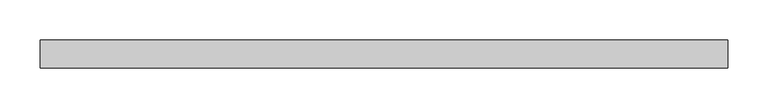
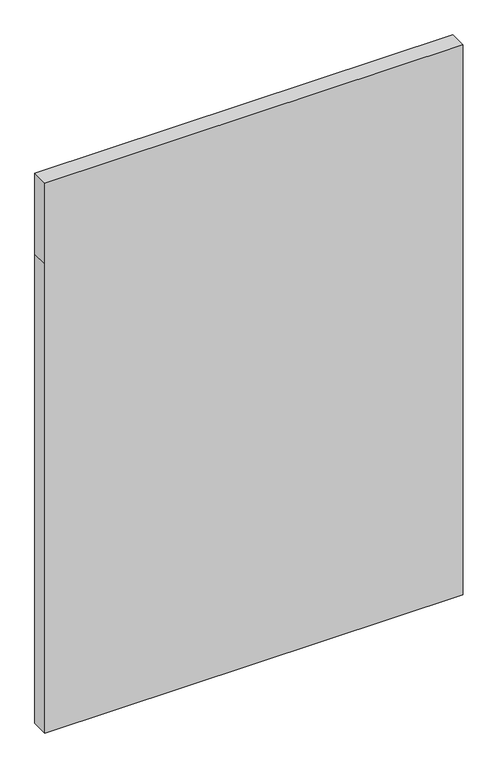
"""IFC4 building model written with IfcOpenShell, lengths in millimetres: plate geometry."""

import ifcopenshell
import ifcopenshell.guid

model = None  # the IFC model being written
_history = None  # IfcOwnerHistory: only IFC2X3 demands one
_inside = {}  # id of a spatial element -> (the spatial element, [elements in it])
_under = {}  # id of a project, library or spatial element -> (it, [spatial elements below it])
_declared = {}  # id of a project -> (the project, [libraries it declares])
_typed = {}  # id of a type object -> (the type object, [elements of that type])
_made_of = {}  # id of a material, layer set ... -> (it, [elements and type objects made of it])


def new_model(schema):
    """Start an empty IFC model of exactly this schema.

    Asked for "IFC4X3", IfcOpenShell would pick the latest addendum, in which some entities
    have other attributes; the version numbers below select the first issue.
    IFC2X3 requires an IfcOwnerHistory on every rooted entity: one is made here for all.
    """
    global model, _history
    if schema == "IFC4X3":
        model = ifcopenshell.file(schema_version=(4, 3, 0, 0))
    else:
        model = ifcopenshell.file(schema=schema)
    _inside.clear()
    _under.clear()
    _declared.clear()
    _typed.clear()
    _made_of.clear()
    _history = None
    if model.schema == "IFC2X3":
        org = make("IfcOrganization", Name="unknown")
        user = make(
            "IfcPersonAndOrganization",
            ThePerson=make("IfcPerson", FamilyName="unknown"),
            TheOrganization=org,
        )
        app = make(
            "IfcApplication",
            ApplicationDeveloper=org,
            Version="unknown",
            ApplicationFullName="unknown",
            ApplicationIdentifier="unknown",
        )
        _history = make(
            "IfcOwnerHistory",
            OwningUser=user,
            OwningApplication=app,
            ChangeAction="ADDED",
            CreationDate=0,
        )
    return model


def make(cls, **values):
    """One entity of the class cls with the attributes given. An attribute that is None is left unset."""
    return model.create_entity(
        cls, **{name: value for name, value in values.items() if value is not None}
    )


def rooted(cls, **values):
    """An entity with a GlobalId (a new one), such as an element, a storey or a relation."""
    return make(cls, GlobalId=ifcopenshell.guid.new(), OwnerHistory=_history, **values)


def si_unit(unit_type, name, prefix=None):
    """IfcSIUnit, for example si_unit("LENGTHUNIT", "METRE", prefix="MILLI")."""
    return make("IfcSIUnit", UnitType=unit_type, Prefix=prefix, Name=name)


def assignment(units):
    """IfcUnitAssignment: the units of a project."""
    return None if units is None else make("IfcUnitAssignment", Units=units)


def point(xyz):
    """IfcCartesianPoint."""
    return None if xyz is None else make("IfcCartesianPoint", Coordinates=xyz)


def direction(xyz):
    """IfcDirection."""
    return None if xyz is None else make("IfcDirection", DirectionRatios=xyz)


def frame(location, z_axis=None, x_axis=None):
    """IfcAxis2Placement3D, a coordinate frame: its origin and axes. An axis left out is left unset."""
    return make(
        "IfcAxis2Placement3D",
        Location=point(location),
        Axis=direction(z_axis),
        RefDirection=direction(x_axis),
    )


def origin():
    """The frame at (0, 0, 0) with its axes left unset."""
    return frame((0.0, 0.0, 0.0))


def place(relative_to, where):
    """IfcLocalPlacement: puts the frame where relative to a parent placement (None: the world)."""
    return make(
        "IfcLocalPlacement", PlacementRelTo=relative_to, RelativePlacement=where
    )


def context(
    kind, dimensions, precision=None, world=None, true_north=None, identifier=None
):
    """IfcGeometricRepresentationContext, for example the 3D "Model" context."""
    return make(
        "IfcGeometricRepresentationContext",
        ContextIdentifier=identifier,
        ContextType=kind,
        CoordinateSpaceDimension=dimensions,
        Precision=precision,
        WorldCoordinateSystem=world,
        TrueNorth=true_north,
    )


def project(units=None, contexts=None):
    """IfcProject with its units and contexts."""
    return rooted(
        "IfcProject",
        Name="project",
        RepresentationContexts=contexts,
        UnitsInContext=assignment(units),
    )


def spatial(cls, under=None, at=None, **own):
    """A site, building, storey or space (cls), placed at a placement, below another one or the project."""
    s = rooted(cls, ObjectPlacement=at, **own)
    if under is not None:
        _under.setdefault(under.id(), (under, []))[1].append(s)
    return s


def polyline(points):
    """IfcPolyline through the points."""
    return make("IfcPolyline", Points=[point(p) for p in points])


def outline(outer, holes=None, kind="AREA"):
    """IfcArbitraryClosedProfileDef: a profile drawn as a closed curve; with holes, ...WithVoids."""
    if holes is None:
        return make("IfcArbitraryClosedProfileDef", ProfileType=kind, OuterCurve=outer)
    return make(
        "IfcArbitraryProfileDefWithVoids",
        ProfileType=kind,
        OuterCurve=outer,
        InnerCurves=holes,
    )


def extrude(swept, where, along, depth):
    """IfcExtrudedAreaSolid: the profile swept, set in the frame where, extruded along a direction by depth."""
    return make(
        "IfcExtrudedAreaSolid",
        SweptArea=swept,
        Position=where,
        ExtrudedDirection=direction(along),
        Depth=depth,
    )


def shape(context_of_items, identifier, shape_type, items):
    """IfcShapeRepresentation: the items that make up one representation, for example the "Body"."""
    return make(
        "IfcShapeRepresentation",
        ContextOfItems=context_of_items,
        RepresentationIdentifier=identifier,
        RepresentationType=shape_type,
        Items=items,
    )


def source(mapping_origin, context_of_items, identifier, shape_type, items):
    """IfcRepresentationMap: a shape defined once, which mapped items show again and again."""
    return make(
        "IfcRepresentationMap",
        MappingOrigin=mapping_origin,
        MappedRepresentation=shape(context_of_items, identifier, shape_type, items),
    )


def transform(
    local_origin,
    x_axis=None,
    y_axis=None,
    z_axis=None,
    scale=None,
    scale2=None,
    scale3=None,
    uniform=True,
):
    """IfcCartesianTransformationOperator3D, or its non-uniform kind. x_axis, y_axis, z_axis: its Axis1, 2, 3."""
    if uniform:
        return make(
            "IfcCartesianTransformationOperator3D",
            Axis1=direction(x_axis),
            Axis2=direction(y_axis),
            LocalOrigin=point(local_origin),
            Scale=scale,
            Axis3=direction(z_axis),
        )
    return make(
        "IfcCartesianTransformationOperator3DnonUniform",
        Axis1=direction(x_axis),
        Axis2=direction(y_axis),
        LocalOrigin=point(local_origin),
        Scale=scale,
        Axis3=direction(z_axis),
        Scale2=scale2,
        Scale3=scale3,
    )


def mapped(mapping_source, mapping_target):
    """IfcMappedItem: shows the shape of a source again, moved by a transform."""
    return make(
        "IfcMappedItem", MappingSource=mapping_source, MappingTarget=mapping_target
    )


def made_of(thing, what):
    """Note that an element or type object is made of a material, layer set ...; save() writes the relation."""
    if what is not None:
        _made_of.setdefault(what.id(), (what, []))[1].append(thing)
    return thing


def element(
    cls,
    number,
    at=None,
    inside=None,
    cuts=None,
    type_object=None,
    material=None,
    context=None,
    identifier="Body",
    shape_type=None,
    held_by="IfcProductDefinitionShape",
    body=None,
    shapes=None,
    **own,
):
    """One element of the class cls, such as IfcWall. Its Tag is "e" and its number.

    at: its placement. inside: the storey or other place that contains it. cuts: it is an
    opening in that element (IfcRelVoidsElement). A single representation is given by context,
    identifier, shape_type and body (its items); several are given by shapes. held_by: the class
    of the entity that holds the representations. save() writes the other relations.
    """
    e = rooted(cls, Tag="e%d" % number, ObjectPlacement=at, **own)
    if body is not None:
        shapes = [shape(context, identifier, shape_type, body)]
    if shapes is not None:
        e.Representation = make(held_by, Representations=shapes)
    if inside is not None:
        _inside.setdefault(inside.id(), (inside, []))[1].append(e)
    if cuts is not None:
        rooted(
            "IfcRelVoidsElement", RelatingBuildingElement=cuts, RelatedOpeningElement=e
        )
    if type_object is not None:
        _typed.setdefault(type_object.id(), (type_object, []))[1].append(e)
    return made_of(e, material)


def aggregate(whole, parts):
    """IfcRelAggregates: a whole, such as a stair, and the parts it consists of."""
    return rooted("IfcRelAggregates", RelatingObject=whole, RelatedObjects=parts)


def save(model, path):
    """Write the relations noted so far, then the file.

    IfcRelAggregates (storeys below a building ...), IfcRelContainedInSpatialStructure (elements
    in a storey), IfcRelDefinesByType, IfcRelAssociatesMaterial and IfcRelDeclares: one each for
    every whole, place, type object, material and project.
    """
    for whole, parts in _under.values():
        aggregate(whole, parts)
    for where, things in _inside.values():
        rooted(
            "IfcRelContainedInSpatialStructure",
            RelatedElements=things,
            RelatingStructure=where,
        )
    for kind, things in _typed.values():
        rooted("IfcRelDefinesByType", RelatedObjects=things, RelatingType=kind)
    for what, things in _made_of.values():
        rooted("IfcRelAssociatesMaterial", RelatedObjects=things, RelatingMaterial=what)
    for by, libraries in _declared.values():
        rooted("IfcRelDeclares", RelatingContext=by, RelatedDefinitions=libraries)
    model.write(path)


def plate_143e324c(model_context):
    return source(origin(), model_context, "Body", "SweptSolid", [
        extrude(outline(polyline([(0.0, -429.5950918), (0.0, 429.5950918), (1018.8125, 429.5950918), (1193.8125, 429.5950918), (1193.8125, -429.5950918), (1018.8125, -429.5950918), (0.0, -429.5950918)])), frame((0.0, -17.5, 0.0), z_axis=(0.0, 1.0, 0.0), x_axis=(0.0, 0.0, 1.0)), (0.0, 0.0, 1.0), 35.0),
    ])


if __name__ == "__main__":
    model = new_model("IFC4")
    model_context = context("Model", 3, world=origin())
    ifc_project = project(units=[si_unit("LENGTHUNIT", "METRE", prefix="MILLI")], contexts=[model_context])
    site = spatial("IfcSite", under=ifc_project)
    building = spatial("IfcBuilding", under=site)
    placement = place(None, origin())
    plate_shape = plate_143e324c(model_context)
    element("IfcPlate", 1, at=placement, inside=building, context=model_context, shape_type="MappedRepresentation", body=[
        mapped(plate_shape, transform((0.0, 0.0, 0.0), x_axis=(1.0, 0.0, 0.0), y_axis=(0.0, 1.0, 0.0), z_axis=(0.0, 0.0, 1.0))),
    ])
    save(model, "model.ifc")
